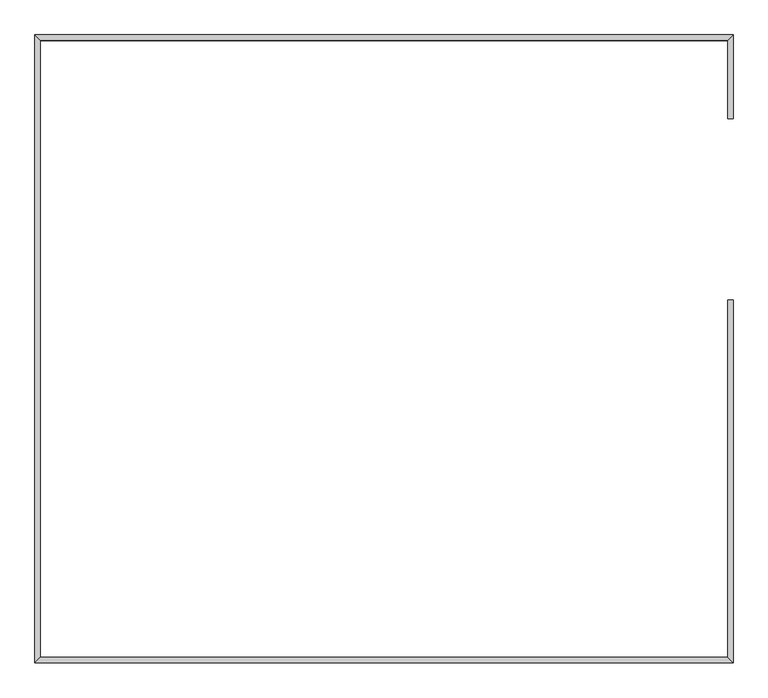
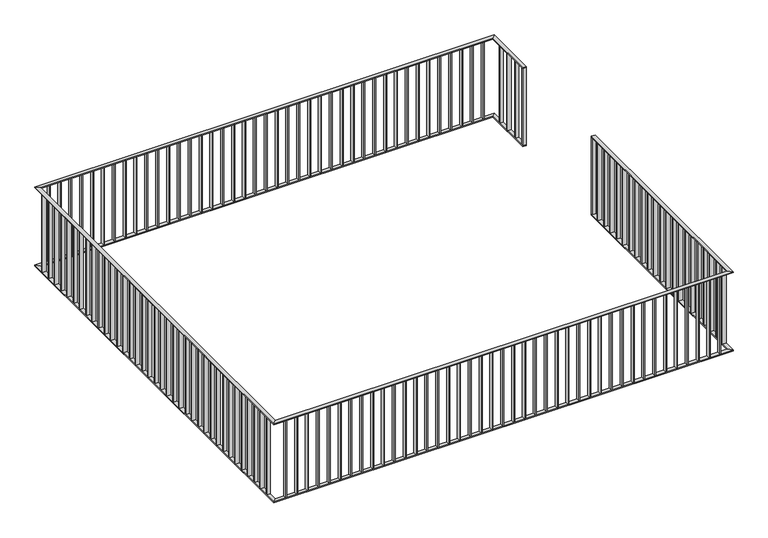
"""IFC4 building model written with IfcOpenShell, lengths in millimetres: railing geometry."""

from ifc_helpers import new_model, si_unit, frame, origin, place, context, project, spatial, polyline, outline, extrude, faceted_brep, source, transform, mapped, element, save


def railing_98fb5049(model_context):
    return source(origin(), model_context, "Body", "SolidModel", [
        faceted_brep([(2500.0, 4748.9503168, 4200.0), (2540.0, 4708.9503168, 4200.0), (7460.0, 4708.9503168, 4200.0), (7500.0, 4748.9503168, 4200.0), (2500.0, 4748.9503168, 4190.0), (7500.0, 4748.9503168, 4190.0), (2540.0, 4708.9503168, 4190.0), (7460.0, 4708.9503168, 4190.0), (7460.0, 4148.9503168, 4200.0), (7460.0, 4148.9503168, 4190.0), (7500.0, 4148.9503168, 4190.0), (7500.0, 4148.9503168, 4200.0), (7460.0, 2848.9503168, 4200.0), (7500.0, 2848.9503168, 4200.0), (7500.0, 2848.9503168, 4190.0), (7460.0, 2848.9503168, 4190.0), (7460.0, 288.9503168, 4200.0), (7500.0, 248.9503168, 4200.0), (7500.0, 248.9503168, 4190.0), (7460.0, 288.9503168, 4190.0), (2540.0, 288.9503168, 4200.0), (2500.0, 248.9503168, 4200.0), (2500.0, 248.9503168, 4190.0), (2540.0, 288.9503168, 4190.0)], [[[0, 1, 2, 3]], [[4, 0, 3, 5]], [[6, 4, 5, 7]], [[1, 6, 7, 2]], [[8, 9, 10, 11]], [[3, 2, 8, 11]], [[5, 3, 11, 10]], [[7, 5, 10, 9]], [[2, 7, 9, 8]], [[12, 13, 14, 15]], [[13, 12, 16, 17]], [[14, 13, 17, 18]], [[15, 14, 18, 19]], [[12, 15, 19, 16]], [[17, 16, 20, 21]], [[18, 17, 21, 22]], [[19, 18, 22, 23]], [[16, 19, 23, 20]], [[21, 20, 1, 0]], [[22, 21, 0, 4]], [[23, 22, 4, 6]], [[20, 23, 6, 1]]]),
        faceted_brep([(2500.0, 4748.9503168, 3300.0), (2540.0, 4708.9503168, 3300.0), (7460.0, 4708.9503168, 3300.0), (7500.0, 4748.9503168, 3300.0), (2500.0, 4748.9503168, 3290.0), (7500.0, 4748.9503168, 3290.0), (2540.0, 4708.9503168, 3290.0), (7460.0, 4708.9503168, 3290.0), (7460.0, 4148.9503168, 3300.0), (7460.0, 4148.9503168, 3290.0), (7500.0, 4148.9503168, 3290.0), (7500.0, 4148.9503168, 3300.0), (7460.0, 2848.9503168, 3300.0), (7500.0, 2848.9503168, 3300.0), (7500.0, 2848.9503168, 3290.0), (7460.0, 2848.9503168, 3290.0), (7460.0, 288.9503168, 3300.0), (7500.0, 248.9503168, 3300.0), (7500.0, 248.9503168, 3290.0), (7460.0, 288.9503168, 3290.0), (2540.0, 288.9503168, 3300.0), (2500.0, 248.9503168, 3300.0), (2500.0, 248.9503168, 3290.0), (2540.0, 288.9503168, 3290.0)], [[[0, 1, 2, 3]], [[4, 0, 3, 5]], [[6, 4, 5, 7]], [[1, 6, 7, 2]], [[8, 9, 10, 11]], [[3, 2, 8, 11]], [[5, 3, 11, 10]], [[7, 5, 10, 9]], [[2, 7, 9, 8]], [[12, 13, 14, 15]], [[13, 12, 16, 17]], [[14, 13, 17, 18]], [[15, 14, 18, 19]], [[12, 15, 19, 16]], [[17, 16, 20, 21]], [[18, 17, 21, 22]], [[19, 18, 22, 23]], [[16, 19, 23, 20]], [[21, 20, 1, 0]], [[22, 21, 0, 4]], [[23, 22, 4, 6]], [[20, 23, 6, 1]]]),
        extrude(outline(polyline([(7460.0, 4298.9503168), (7500.0, 4298.9503168), (7500.0, 4288.9503168), (7460.0, 4288.9503168), (7460.0, 4298.9503168)])), frame((0.0, 0.0, 3300.0), z_axis=(0.0, 0.0, 1.0), x_axis=(1.0, 0.0, 0.0)), (0.0, 0.0, 1.0), 890.0),
        extrude(outline(polyline([(7460.0, 4443.9503168), (7500.0, 4443.9503168), (7500.0, 4433.9503168), (7460.0, 4433.9503168), (7460.0, 4443.9503168)])), frame((0.0, 0.0, 3300.0), z_axis=(0.0, 0.0, 1.0), x_axis=(1.0, 0.0, 0.0)), (0.0, 0.0, 1.0), 890.0),
        extrude(outline(polyline([(7460.0, 4588.9503168), (7500.0, 4588.9503168), (7500.0, 4578.9503168), (7460.0, 4578.9503168), (7460.0, 4588.9503168)])), frame((0.0, 0.0, 3300.0), z_axis=(0.0, 0.0, 1.0), x_axis=(1.0, 0.0, 0.0)), (0.0, 0.0, 1.0), 890.0),
        extrude(outline(polyline([(7356.9047619, 4708.9503168), (7356.9047619, 4748.9503168), (7366.9047619, 4748.9503168), (7366.9047619, 4708.9503168), (7356.9047619, 4708.9503168)])), frame((0.0, 0.0, 3300.0), z_axis=(0.0, 0.0, 1.0), x_axis=(1.0, 0.0, 0.0)), (0.0, 0.0, 1.0), 890.0),
        extrude(outline(polyline([(7238.8095238, 4708.9503168), (7238.8095238, 4748.9503168), (7248.8095238, 4748.9503168), (7248.8095238, 4708.9503168), (7238.8095238, 4708.9503168)])), frame((0.0, 0.0, 3300.0), z_axis=(0.0, 0.0, 1.0), x_axis=(1.0, 0.0, 0.0)), (0.0, 0.0, 1.0), 890.0),
        extrude(outline(polyline([(7120.7142857, 4708.9503168), (7120.7142857, 4748.9503168), (7130.7142857, 4748.9503168), (7130.7142857, 4708.9503168), (7120.7142857, 4708.9503168)])), frame((0.0, 0.0, 3300.0), z_axis=(0.0, 0.0, 1.0), x_axis=(1.0, 0.0, 0.0)), (0.0, 0.0, 1.0), 890.0),
        extrude(outline(polyline([(7002.6190476, 4708.9503168), (7002.6190476, 4748.9503168), (7012.6190476, 4748.9503168), (7012.6190476, 4708.9503168), (7002.6190476, 4708.9503168)])), frame((0.0, 0.0, 3300.0), z_axis=(0.0, 0.0, 1.0), x_axis=(1.0, 0.0, 0.0)), (0.0, 0.0, 1.0), 890.0),
        extrude(outline(polyline([(6884.5238095, 4708.9503168), (6884.5238095, 4748.9503168), (6894.5238095, 4748.9503168), (6894.5238095, 4708.9503168), (6884.5238095, 4708.9503168)])), frame((0.0, 0.0, 3300.0), z_axis=(0.0, 0.0, 1.0), x_axis=(1.0, 0.0, 0.0)), (0.0, 0.0, 1.0), 890.0),
        extrude(outline(polyline([(6766.4285714, 4708.9503168), (6766.4285714, 4748.9503168), (6776.4285714, 4748.9503168), (6776.4285714, 4708.9503168), (6766.4285714, 4708.9503168)])), frame((0.0, 0.0, 3300.0), z_axis=(0.0, 0.0, 1.0), x_axis=(1.0, 0.0, 0.0)), (0.0, 0.0, 1.0), 890.0),
        extrude(outline(polyline([(6648.3333333, 4708.9503168), (6648.3333333, 4748.9503168), (6658.3333333, 4748.9503168), (6658.3333333, 4708.9503168), (6648.3333333, 4708.9503168)])), frame((0.0, 0.0, 3300.0), z_axis=(0.0, 0.0, 1.0), x_axis=(1.0, 0.0, 0.0)), (0.0, 0.0, 1.0), 890.0),
        extrude(outline(polyline([(6530.2380952, 4708.9503168), (6530.2380952, 4748.9503168), (6540.2380952, 4748.9503168), (6540.2380952, 4708.9503168), (6530.2380952, 4708.9503168)])), frame((0.0, 0.0, 3300.0), z_axis=(0.0, 0.0, 1.0), x_axis=(1.0, 0.0, 0.0)), (0.0, 0.0, 1.0), 890.0),
        extrude(outline(polyline([(6412.1428571, 4708.9503168), (6412.1428571, 4748.9503168), (6422.1428571, 4748.9503168), (6422.1428571, 4708.9503168), (6412.1428571, 4708.9503168)])), frame((0.0, 0.0, 3300.0), z_axis=(0.0, 0.0, 1.0), x_axis=(1.0, 0.0, 0.0)), (0.0, 0.0, 1.0), 890.0),
        extrude(outline(polyline([(6294.047619, 4708.9503168), (6294.047619, 4748.9503168), (6304.047619, 4748.9503168), (6304.047619, 4708.9503168), (6294.047619, 4708.9503168)])), frame((0.0, 0.0, 3300.0), z_axis=(0.0, 0.0, 1.0), x_axis=(1.0, 0.0, 0.0)), (0.0, 0.0, 1.0), 890.0),
        extrude(outline(polyline([(6175.952381, 4708.9503168), (6175.952381, 4748.9503168), (6185.952381, 4748.9503168), (6185.952381, 4708.9503168), (6175.952381, 4708.9503168)])), frame((0.0, 0.0, 3300.0), z_axis=(0.0, 0.0, 1.0), x_axis=(1.0, 0.0, 0.0)), (0.0, 0.0, 1.0), 890.0),
        extrude(outline(polyline([(6057.8571429, 4708.9503168), (6057.8571429, 4748.9503168), (6067.8571429, 4748.9503168), (6067.8571429, 4708.9503168), (6057.8571429, 4708.9503168)])), frame((0.0, 0.0, 3300.0), z_axis=(0.0, 0.0, 1.0), x_axis=(1.0, 0.0, 0.0)), (0.0, 0.0, 1.0), 890.0),
        extrude(outline(polyline([(5939.7619048, 4708.9503168), (5939.7619048, 4748.9503168), (5949.7619048, 4748.9503168), (5949.7619048, 4708.9503168), (5939.7619048, 4708.9503168)])), frame((0.0, 0.0, 3300.0), z_axis=(0.0, 0.0, 1.0), x_axis=(1.0, 0.0, 0.0)), (0.0, 0.0, 1.0), 890.0),
        extrude(outline(polyline([(5821.6666667, 4708.9503168), (5821.6666667, 4748.9503168), (5831.6666667, 4748.9503168), (5831.6666667, 4708.9503168), (5821.6666667, 4708.9503168)])), frame((0.0, 0.0, 3300.0), z_axis=(0.0, 0.0, 1.0), x_axis=(1.0, 0.0, 0.0)), (0.0, 0.0, 1.0), 890.0),
        extrude(outline(polyline([(5703.5714286, 4708.9503168), (5703.5714286, 4748.9503168), (5713.5714286, 4748.9503168), (5713.5714286, 4708.9503168), (5703.5714286, 4708.9503168)])), frame((0.0, 0.0, 3300.0), z_axis=(0.0, 0.0, 1.0), x_axis=(1.0, 0.0, 0.0)), (0.0, 0.0, 1.0), 890.0),
        extrude(outline(polyline([(5585.4761905, 4708.9503168), (5585.4761905, 4748.9503168), (5595.4761905, 4748.9503168), (5595.4761905, 4708.9503168), (5585.4761905, 4708.9503168)])), frame((0.0, 0.0, 3300.0), z_axis=(0.0, 0.0, 1.0), x_axis=(1.0, 0.0, 0.0)), (0.0, 0.0, 1.0), 890.0),
        extrude(outline(polyline([(5467.3809524, 4708.9503168), (5467.3809524, 4748.9503168), (5477.3809524, 4748.9503168), (5477.3809524, 4708.9503168), (5467.3809524, 4708.9503168)])), frame((0.0, 0.0, 3300.0), z_axis=(0.0, 0.0, 1.0), x_axis=(1.0, 0.0, 0.0)), (0.0, 0.0, 1.0), 890.0),
        extrude(outline(polyline([(5349.2857143, 4708.9503168), (5349.2857143, 4748.9503168), (5359.2857143, 4748.9503168), (5359.2857143, 4708.9503168), (5349.2857143, 4708.9503168)])), frame((0.0, 0.0, 3300.0), z_axis=(0.0, 0.0, 1.0), x_axis=(1.0, 0.0, 0.0)), (0.0, 0.0, 1.0), 890.0),
        extrude(outline(polyline([(5231.1904762, 4708.9503168), (5231.1904762, 4748.9503168), (5241.1904762, 4748.9503168), (5241.1904762, 4708.9503168), (5231.1904762, 4708.9503168)])), frame((0.0, 0.0, 3300.0), z_axis=(0.0, 0.0, 1.0), x_axis=(1.0, 0.0, 0.0)), (0.0, 0.0, 1.0), 890.0),
        extrude(outline(polyline([(5113.0952381, 4708.9503168), (5113.0952381, 4748.9503168), (5123.0952381, 4748.9503168), (5123.0952381, 4708.9503168), (5113.0952381, 4708.9503168)])), frame((0.0, 0.0, 3300.0), z_axis=(0.0, 0.0, 1.0), x_axis=(1.0, 0.0, 0.0)), (0.0, 0.0, 1.0), 890.0),
        extrude(outline(polyline([(4995.0, 4708.9503168), (4995.0, 4748.9503168), (5005.0, 4748.9503168), (5005.0, 4708.9503168), (4995.0, 4708.9503168)])), frame((0.0, 0.0, 3300.0), z_axis=(0.0, 0.0, 1.0), x_axis=(1.0, 0.0, 0.0)), (0.0, 0.0, 1.0), 890.0),
        extrude(outline(polyline([(4876.9047619, 4708.9503168), (4876.9047619, 4748.9503168), (4886.9047619, 4748.9503168), (4886.9047619, 4708.9503168), (4876.9047619, 4708.9503168)])), frame((0.0, 0.0, 3300.0), z_axis=(0.0, 0.0, 1.0), x_axis=(1.0, 0.0, 0.0)), (0.0, 0.0, 1.0), 890.0),
        extrude(outline(polyline([(4758.8095238, 4708.9503168), (4758.8095238, 4748.9503168), (4768.8095238, 4748.9503168), (4768.8095238, 4708.9503168), (4758.8095238, 4708.9503168)])), frame((0.0, 0.0, 3300.0), z_axis=(0.0, 0.0, 1.0), x_axis=(1.0, 0.0, 0.0)), (0.0, 0.0, 1.0), 890.0),
        extrude(outline(polyline([(4640.7142857, 4708.9503168), (4640.7142857, 4748.9503168), (4650.7142857, 4748.9503168), (4650.7142857, 4708.9503168), (4640.7142857, 4708.9503168)])), frame((0.0, 0.0, 3300.0), z_axis=(0.0, 0.0, 1.0), x_axis=(1.0, 0.0, 0.0)), (0.0, 0.0, 1.0), 890.0),
        extrude(outline(polyline([(4522.6190476, 4708.9503168), (4522.6190476, 4748.9503168), (4532.6190476, 4748.9503168), (4532.6190476, 4708.9503168), (4522.6190476, 4708.9503168)])), frame((0.0, 0.0, 3300.0), z_axis=(0.0, 0.0, 1.0), x_axis=(1.0, 0.0, 0.0)), (0.0, 0.0, 1.0), 890.0),
        extrude(outline(polyline([(4404.5238095, 4708.9503168), (4404.5238095, 4748.9503168), (4414.5238095, 4748.9503168), (4414.5238095, 4708.9503168), (4404.5238095, 4708.9503168)])), frame((0.0, 0.0, 3300.0), z_axis=(0.0, 0.0, 1.0), x_axis=(1.0, 0.0, 0.0)), (0.0, 0.0, 1.0), 890.0),
        extrude(outline(polyline([(4286.4285714, 4708.9503168), (4286.4285714, 4748.9503168), (4296.4285714, 4748.9503168), (4296.4285714, 4708.9503168), (4286.4285714, 4708.9503168)])), frame((0.0, 0.0, 3300.0), z_axis=(0.0, 0.0, 1.0), x_axis=(1.0, 0.0, 0.0)), (0.0, 0.0, 1.0), 890.0),
        extrude(outline(polyline([(4168.3333333, 4708.9503168), (4168.3333333, 4748.9503168), (4178.3333333, 4748.9503168), (4178.3333333, 4708.9503168), (4168.3333333, 4708.9503168)])), frame((0.0, 0.0, 3300.0), z_axis=(0.0, 0.0, 1.0), x_axis=(1.0, 0.0, 0.0)), (0.0, 0.0, 1.0), 890.0),
        extrude(outline(polyline([(4050.2380952, 4708.9503168), (4050.2380952, 4748.9503168), (4060.2380952, 4748.9503168), (4060.2380952, 4708.9503168), (4050.2380952, 4708.9503168)])), frame((0.0, 0.0, 3300.0), z_axis=(0.0, 0.0, 1.0), x_axis=(1.0, 0.0, 0.0)), (0.0, 0.0, 1.0), 890.0),
        extrude(outline(polyline([(3932.1428571, 4708.9503168), (3932.1428571, 4748.9503168), (3942.1428571, 4748.9503168), (3942.1428571, 4708.9503168), (3932.1428571, 4708.9503168)])), frame((0.0, 0.0, 3300.0), z_axis=(0.0, 0.0, 1.0), x_axis=(1.0, 0.0, 0.0)), (0.0, 0.0, 1.0), 890.0),
        extrude(outline(polyline([(3814.047619, 4708.9503168), (3814.047619, 4748.9503168), (3824.047619, 4748.9503168), (3824.047619, 4708.9503168), (3814.047619, 4708.9503168)])), frame((0.0, 0.0, 3300.0), z_axis=(0.0, 0.0, 1.0), x_axis=(1.0, 0.0, 0.0)), (0.0, 0.0, 1.0), 890.0),
        extrude(outline(polyline([(3695.952381, 4708.9503168), (3695.952381, 4748.9503168), (3705.952381, 4748.9503168), (3705.952381, 4708.9503168), (3695.952381, 4708.9503168)])), frame((0.0, 0.0, 3300.0), z_axis=(0.0, 0.0, 1.0), x_axis=(1.0, 0.0, 0.0)), (0.0, 0.0, 1.0), 890.0),
        extrude(outline(polyline([(3577.8571429, 4708.9503168), (3577.8571429, 4748.9503168), (3587.8571429, 4748.9503168), (3587.8571429, 4708.9503168), (3577.8571429, 4708.9503168)])), frame((0.0, 0.0, 3300.0), z_axis=(0.0, 0.0, 1.0), x_axis=(1.0, 0.0, 0.0)), (0.0, 0.0, 1.0), 890.0),
        extrude(outline(polyline([(3459.7619048, 4708.9503168), (3459.7619048, 4748.9503168), (3469.7619048, 4748.9503168), (3469.7619048, 4708.9503168), (3459.7619048, 4708.9503168)])), frame((0.0, 0.0, 3300.0), z_axis=(0.0, 0.0, 1.0), x_axis=(1.0, 0.0, 0.0)), (0.0, 0.0, 1.0), 890.0),
        extrude(outline(polyline([(3341.6666667, 4708.9503168), (3341.6666667, 4748.9503168), (3351.6666667, 4748.9503168), (3351.6666667, 4708.9503168), (3341.6666667, 4708.9503168)])), frame((0.0, 0.0, 3300.0), z_axis=(0.0, 0.0, 1.0), x_axis=(1.0, 0.0, 0.0)), (0.0, 0.0, 1.0), 890.0),
        extrude(outline(polyline([(3223.5714286, 4708.9503168), (3223.5714286, 4748.9503168), (3233.5714286, 4748.9503168), (3233.5714286, 4708.9503168), (3223.5714286, 4708.9503168)])), frame((0.0, 0.0, 3300.0), z_axis=(0.0, 0.0, 1.0), x_axis=(1.0, 0.0, 0.0)), (0.0, 0.0, 1.0), 890.0),
        extrude(outline(polyline([(3105.4761905, 4708.9503168), (3105.4761905, 4748.9503168), (3115.4761905, 4748.9503168), (3115.4761905, 4708.9503168), (3105.4761905, 4708.9503168)])), frame((0.0, 0.0, 3300.0), z_axis=(0.0, 0.0, 1.0), x_axis=(1.0, 0.0, 0.0)), (0.0, 0.0, 1.0), 890.0),
        extrude(outline(polyline([(2987.3809524, 4708.9503168), (2987.3809524, 4748.9503168), (2997.3809524, 4748.9503168), (2997.3809524, 4708.9503168), (2987.3809524, 4708.9503168)])), frame((0.0, 0.0, 3300.0), z_axis=(0.0, 0.0, 1.0), x_axis=(1.0, 0.0, 0.0)), (0.0, 0.0, 1.0), 890.0),
        extrude(outline(polyline([(2869.2857143, 4708.9503168), (2869.2857143, 4748.9503168), (2879.2857143, 4748.9503168), (2879.2857143, 4708.9503168), (2869.2857143, 4708.9503168)])), frame((0.0, 0.0, 3300.0), z_axis=(0.0, 0.0, 1.0), x_axis=(1.0, 0.0, 0.0)), (0.0, 0.0, 1.0), 890.0),
        extrude(outline(polyline([(2751.1904762, 4708.9503168), (2751.1904762, 4748.9503168), (2761.1904762, 4748.9503168), (2761.1904762, 4708.9503168), (2751.1904762, 4708.9503168)])), frame((0.0, 0.0, 3300.0), z_axis=(0.0, 0.0, 1.0), x_axis=(1.0, 0.0, 0.0)), (0.0, 0.0, 1.0), 890.0),
        extrude(outline(polyline([(2633.0952381, 4708.9503168), (2633.0952381, 4748.9503168), (2643.0952381, 4748.9503168), (2643.0952381, 4708.9503168), (2633.0952381, 4708.9503168)])), frame((0.0, 0.0, 3300.0), z_axis=(0.0, 0.0, 1.0), x_axis=(1.0, 0.0, 0.0)), (0.0, 0.0, 1.0), 890.0),
        extrude(outline(polyline([(2540.0, 4606.5818957), (2500.0, 4606.5818957), (2500.0, 4616.5818957), (2540.0, 4616.5818957), (2540.0, 4606.5818957)])), frame((0.0, 0.0, 3300.0), z_axis=(0.0, 0.0, 1.0), x_axis=(1.0, 0.0, 0.0)), (0.0, 0.0, 1.0), 890.0),
        extrude(outline(polyline([(2540.0, 4489.2134747), (2500.0, 4489.2134747), (2500.0, 4499.2134747), (2540.0, 4499.2134747), (2540.0, 4489.2134747)])), frame((0.0, 0.0, 3300.0), z_axis=(0.0, 0.0, 1.0), x_axis=(1.0, 0.0, 0.0)), (0.0, 0.0, 1.0), 890.0),
        extrude(outline(polyline([(2540.0, 4371.8450536), (2500.0, 4371.8450536), (2500.0, 4381.8450536), (2540.0, 4381.8450536), (2540.0, 4371.8450536)])), frame((0.0, 0.0, 3300.0), z_axis=(0.0, 0.0, 1.0), x_axis=(1.0, 0.0, 0.0)), (0.0, 0.0, 1.0), 890.0),
        extrude(outline(polyline([(2540.0, 4254.4766325), (2500.0, 4254.4766325), (2500.0, 4264.4766325), (2540.0, 4264.4766325), (2540.0, 4254.4766325)])), frame((0.0, 0.0, 3300.0), z_axis=(0.0, 0.0, 1.0), x_axis=(1.0, 0.0, 0.0)), (0.0, 0.0, 1.0), 890.0),
        extrude(outline(polyline([(2540.0, 4137.1082115), (2500.0, 4137.1082115), (2500.0, 4147.1082115), (2540.0, 4147.1082115), (2540.0, 4137.1082115)])), frame((0.0, 0.0, 3300.0), z_axis=(0.0, 0.0, 1.0), x_axis=(1.0, 0.0, 0.0)), (0.0, 0.0, 1.0), 890.0),
        extrude(outline(polyline([(2540.0, 4019.7397904), (2500.0, 4019.7397904), (2500.0, 4029.7397904), (2540.0, 4029.7397904), (2540.0, 4019.7397904)])), frame((0.0, 0.0, 3300.0), z_axis=(0.0, 0.0, 1.0), x_axis=(1.0, 0.0, 0.0)), (0.0, 0.0, 1.0), 890.0),
        extrude(outline(polyline([(2540.0, 3902.3713694), (2500.0, 3902.3713694), (2500.0, 3912.3713694), (2540.0, 3912.3713694), (2540.0, 3902.3713694)])), frame((0.0, 0.0, 3300.0), z_axis=(0.0, 0.0, 1.0), x_axis=(1.0, 0.0, 0.0)), (0.0, 0.0, 1.0), 890.0),
        extrude(outline(polyline([(2540.0, 3785.0029483), (2500.0, 3785.0029483), (2500.0, 3795.0029483), (2540.0, 3795.0029483), (2540.0, 3785.0029483)])), frame((0.0, 0.0, 3300.0), z_axis=(0.0, 0.0, 1.0), x_axis=(1.0, 0.0, 0.0)), (0.0, 0.0, 1.0), 890.0),
        extrude(outline(polyline([(2540.0, 3667.6345273), (2500.0, 3667.6345273), (2500.0, 3677.6345273), (2540.0, 3677.6345273), (2540.0, 3667.6345273)])), frame((0.0, 0.0, 3300.0), z_axis=(0.0, 0.0, 1.0), x_axis=(1.0, 0.0, 0.0)), (0.0, 0.0, 1.0), 890.0),
        extrude(outline(polyline([(2540.0, 3550.2661062), (2500.0, 3550.2661062), (2500.0, 3560.2661062), (2540.0, 3560.2661062), (2540.0, 3550.2661062)])), frame((0.0, 0.0, 3300.0), z_axis=(0.0, 0.0, 1.0), x_axis=(1.0, 0.0, 0.0)), (0.0, 0.0, 1.0), 890.0),
        extrude(outline(polyline([(2540.0, 3432.8976852), (2500.0, 3432.8976852), (2500.0, 3442.8976852), (2540.0, 3442.8976852), (2540.0, 3432.8976852)])), frame((0.0, 0.0, 3300.0), z_axis=(0.0, 0.0, 1.0), x_axis=(1.0, 0.0, 0.0)), (0.0, 0.0, 1.0), 890.0),
        extrude(outline(polyline([(2540.0, 3315.5292641), (2500.0, 3315.5292641), (2500.0, 3325.5292641), (2540.0, 3325.5292641), (2540.0, 3315.5292641)])), frame((0.0, 0.0, 3300.0), z_axis=(0.0, 0.0, 1.0), x_axis=(1.0, 0.0, 0.0)), (0.0, 0.0, 1.0), 890.0),
        extrude(outline(polyline([(2540.0, 3198.1608431), (2500.0, 3198.1608431), (2500.0, 3208.1608431), (2540.0, 3208.1608431), (2540.0, 3198.1608431)])), frame((0.0, 0.0, 3300.0), z_axis=(0.0, 0.0, 1.0), x_axis=(1.0, 0.0, 0.0)), (0.0, 0.0, 1.0), 890.0),
        extrude(outline(polyline([(2540.0, 3080.792422), (2500.0, 3080.792422), (2500.0, 3090.792422), (2540.0, 3090.792422), (2540.0, 3080.792422)])), frame((0.0, 0.0, 3300.0), z_axis=(0.0, 0.0, 1.0), x_axis=(1.0, 0.0, 0.0)), (0.0, 0.0, 1.0), 890.0),
        extrude(outline(polyline([(2540.0, 2963.424001), (2500.0, 2963.424001), (2500.0, 2973.424001), (2540.0, 2973.424001), (2540.0, 2963.424001)])), frame((0.0, 0.0, 3300.0), z_axis=(0.0, 0.0, 1.0), x_axis=(1.0, 0.0, 0.0)), (0.0, 0.0, 1.0), 890.0),
        extrude(outline(polyline([(2540.0, 2846.0555799), (2500.0, 2846.0555799), (2500.0, 2856.0555799), (2540.0, 2856.0555799), (2540.0, 2846.0555799)])), frame((0.0, 0.0, 3300.0), z_axis=(0.0, 0.0, 1.0), x_axis=(1.0, 0.0, 0.0)), (0.0, 0.0, 1.0), 890.0),
        extrude(outline(polyline([(2540.0, 2728.6871589), (2500.0, 2728.6871589), (2500.0, 2738.6871589), (2540.0, 2738.6871589), (2540.0, 2728.6871589)])), frame((0.0, 0.0, 3300.0), z_axis=(0.0, 0.0, 1.0), x_axis=(1.0, 0.0, 0.0)), (0.0, 0.0, 1.0), 890.0),
        extrude(outline(polyline([(2540.0, 2611.3187378), (2500.0, 2611.3187378), (2500.0, 2621.3187378), (2540.0, 2621.3187378), (2540.0, 2611.3187378)])), frame((0.0, 0.0, 3300.0), z_axis=(0.0, 0.0, 1.0), x_axis=(1.0, 0.0, 0.0)), (0.0, 0.0, 1.0), 890.0),
        extrude(outline(polyline([(2540.0, 2493.9503168), (2500.0, 2493.9503168), (2500.0, 2503.9503168), (2540.0, 2503.9503168), (2540.0, 2493.9503168)])), frame((0.0, 0.0, 3300.0), z_axis=(0.0, 0.0, 1.0), x_axis=(1.0, 0.0, 0.0)), (0.0, 0.0, 1.0), 890.0),
        extrude(outline(polyline([(2540.0, 2376.5818957), (2500.0, 2376.5818957), (2500.0, 2386.5818957), (2540.0, 2386.5818957), (2540.0, 2376.5818957)])), frame((0.0, 0.0, 3300.0), z_axis=(0.0, 0.0, 1.0), x_axis=(1.0, 0.0, 0.0)), (0.0, 0.0, 1.0), 890.0),
        extrude(outline(polyline([(2540.0, 2259.2134747), (2500.0, 2259.2134747), (2500.0, 2269.2134747), (2540.0, 2269.2134747), (2540.0, 2259.2134747)])), frame((0.0, 0.0, 3300.0), z_axis=(0.0, 0.0, 1.0), x_axis=(1.0, 0.0, 0.0)), (0.0, 0.0, 1.0), 890.0),
        extrude(outline(polyline([(2540.0, 2141.8450536), (2500.0, 2141.8450536), (2500.0, 2151.8450536), (2540.0, 2151.8450536), (2540.0, 2141.8450536)])), frame((0.0, 0.0, 3300.0), z_axis=(0.0, 0.0, 1.0), x_axis=(1.0, 0.0, 0.0)), (0.0, 0.0, 1.0), 890.0),
        extrude(outline(polyline([(2540.0, 2024.4766325), (2500.0, 2024.4766325), (2500.0, 2034.4766325), (2540.0, 2034.4766325), (2540.0, 2024.4766325)])), frame((0.0, 0.0, 3300.0), z_axis=(0.0, 0.0, 1.0), x_axis=(1.0, 0.0, 0.0)), (0.0, 0.0, 1.0), 890.0),
        extrude(outline(polyline([(2540.0, 1907.1082115), (2500.0, 1907.1082115), (2500.0, 1917.1082115), (2540.0, 1917.1082115), (2540.0, 1907.1082115)])), frame((0.0, 0.0, 3300.0), z_axis=(0.0, 0.0, 1.0), x_axis=(1.0, 0.0, 0.0)), (0.0, 0.0, 1.0), 890.0),
        extrude(outline(polyline([(2540.0, 1789.7397904), (2500.0, 1789.7397904), (2500.0, 1799.7397904), (2540.0, 1799.7397904), (2540.0, 1789.7397904)])), frame((0.0, 0.0, 3300.0), z_axis=(0.0, 0.0, 1.0), x_axis=(1.0, 0.0, 0.0)), (0.0, 0.0, 1.0), 890.0),
        extrude(outline(polyline([(2540.0, 1672.3713694), (2500.0, 1672.3713694), (2500.0, 1682.3713694), (2540.0, 1682.3713694), (2540.0, 1672.3713694)])), frame((0.0, 0.0, 3300.0), z_axis=(0.0, 0.0, 1.0), x_axis=(1.0, 0.0, 0.0)), (0.0, 0.0, 1.0), 890.0),
        extrude(outline(polyline([(2540.0, 1555.0029483), (2500.0, 1555.0029483), (2500.0, 1565.0029483), (2540.0, 1565.0029483), (2540.0, 1555.0029483)])), frame((0.0, 0.0, 3300.0), z_axis=(0.0, 0.0, 1.0), x_axis=(1.0, 0.0, 0.0)), (0.0, 0.0, 1.0), 890.0),
        extrude(outline(polyline([(2540.0, 1437.6345273), (2500.0, 1437.6345273), (2500.0, 1447.6345273), (2540.0, 1447.6345273), (2540.0, 1437.6345273)])), frame((0.0, 0.0, 3300.0), z_axis=(0.0, 0.0, 1.0), x_axis=(1.0, 0.0, 0.0)), (0.0, 0.0, 1.0), 890.0),
        extrude(outline(polyline([(2540.0, 1320.2661062), (2500.0, 1320.2661062), (2500.0, 1330.2661062), (2540.0, 1330.2661062), (2540.0, 1320.2661062)])), frame((0.0, 0.0, 3300.0), z_axis=(0.0, 0.0, 1.0), x_axis=(1.0, 0.0, 0.0)), (0.0, 0.0, 1.0), 890.0),
        extrude(outline(polyline([(2540.0, 1202.8976852), (2500.0, 1202.8976852), (2500.0, 1212.8976852), (2540.0, 1212.8976852), (2540.0, 1202.8976852)])), frame((0.0, 0.0, 3300.0), z_axis=(0.0, 0.0, 1.0), x_axis=(1.0, 0.0, 0.0)), (0.0, 0.0, 1.0), 890.0),
        extrude(outline(polyline([(2540.0, 1085.5292641), (2500.0, 1085.5292641), (2500.0, 1095.5292641), (2540.0, 1095.5292641), (2540.0, 1085.5292641)])), frame((0.0, 0.0, 3300.0), z_axis=(0.0, 0.0, 1.0), x_axis=(1.0, 0.0, 0.0)), (0.0, 0.0, 1.0), 890.0),
        extrude(outline(polyline([(2540.0, 968.1608431), (2500.0, 968.1608431), (2500.0, 978.1608431), (2540.0, 978.1608431), (2540.0, 968.1608431)])), frame((0.0, 0.0, 3300.0), z_axis=(0.0, 0.0, 1.0), x_axis=(1.0, 0.0, 0.0)), (0.0, 0.0, 1.0), 890.0),
        extrude(outline(polyline([(2540.0, 850.792422), (2500.0, 850.792422), (2500.0, 860.792422), (2540.0, 860.792422), (2540.0, 850.792422)])), frame((0.0, 0.0, 3300.0), z_axis=(0.0, 0.0, 1.0), x_axis=(1.0, 0.0, 0.0)), (0.0, 0.0, 1.0), 890.0),
        extrude(outline(polyline([(2540.0, 733.424001), (2500.0, 733.424001), (2500.0, 743.424001), (2540.0, 743.424001), (2540.0, 733.424001)])), frame((0.0, 0.0, 3300.0), z_axis=(0.0, 0.0, 1.0), x_axis=(1.0, 0.0, 0.0)), (0.0, 0.0, 1.0), 890.0),
        extrude(outline(polyline([(2540.0, 616.0555799), (2500.0, 616.0555799), (2500.0, 626.0555799), (2540.0, 626.0555799), (2540.0, 616.0555799)])), frame((0.0, 0.0, 3300.0), z_axis=(0.0, 0.0, 1.0), x_axis=(1.0, 0.0, 0.0)), (0.0, 0.0, 1.0), 890.0),
        extrude(outline(polyline([(2540.0, 498.6871589), (2500.0, 498.6871589), (2500.0, 508.6871589), (2540.0, 508.6871589), (2540.0, 498.6871589)])), frame((0.0, 0.0, 3300.0), z_axis=(0.0, 0.0, 1.0), x_axis=(1.0, 0.0, 0.0)), (0.0, 0.0, 1.0), 890.0),
        extrude(outline(polyline([(2540.0, 381.3187378), (2500.0, 381.3187378), (2500.0, 391.3187378), (2540.0, 391.3187378), (2540.0, 381.3187378)])), frame((0.0, 0.0, 3300.0), z_axis=(0.0, 0.0, 1.0), x_axis=(1.0, 0.0, 0.0)), (0.0, 0.0, 1.0), 890.0),
        extrude(outline(polyline([(2643.0952381, 288.9503168), (2643.0952381, 248.9503168), (2633.0952381, 248.9503168), (2633.0952381, 288.9503168), (2643.0952381, 288.9503168)])), frame((0.0, 0.0, 3300.0), z_axis=(0.0, 0.0, 1.0), x_axis=(1.0, 0.0, 0.0)), (0.0, 0.0, 1.0), 890.0),
        extrude(outline(polyline([(2761.1904762, 288.9503168), (2761.1904762, 248.9503168), (2751.1904762, 248.9503168), (2751.1904762, 288.9503168), (2761.1904762, 288.9503168)])), frame((0.0, 0.0, 3300.0), z_axis=(0.0, 0.0, 1.0), x_axis=(1.0, 0.0, 0.0)), (0.0, 0.0, 1.0), 890.0),
        extrude(outline(polyline([(2879.2857143, 288.9503168), (2879.2857143, 248.9503168), (2869.2857143, 248.9503168), (2869.2857143, 288.9503168), (2879.2857143, 288.9503168)])), frame((0.0, 0.0, 3300.0), z_axis=(0.0, 0.0, 1.0), x_axis=(1.0, 0.0, 0.0)), (0.0, 0.0, 1.0), 890.0),
        extrude(outline(polyline([(2997.3809524, 288.9503168), (2997.3809524, 248.9503168), (2987.3809524, 248.9503168), (2987.3809524, 288.9503168), (2997.3809524, 288.9503168)])), frame((0.0, 0.0, 3300.0), z_axis=(0.0, 0.0, 1.0), x_axis=(1.0, 0.0, 0.0)), (0.0, 0.0, 1.0), 890.0),
        extrude(outline(polyline([(3115.4761905, 288.9503168), (3115.4761905, 248.9503168), (3105.4761905, 248.9503168), (3105.4761905, 288.9503168), (3115.4761905, 288.9503168)])), frame((0.0, 0.0, 3300.0), z_axis=(0.0, 0.0, 1.0), x_axis=(1.0, 0.0, 0.0)), (0.0, 0.0, 1.0), 890.0),
        extrude(outline(polyline([(3233.5714286, 288.9503168), (3233.5714286, 248.9503168), (3223.5714286, 248.9503168), (3223.5714286, 288.9503168), (3233.5714286, 288.9503168)])), frame((0.0, 0.0, 3300.0), z_axis=(0.0, 0.0, 1.0), x_axis=(1.0, 0.0, 0.0)), (0.0, 0.0, 1.0), 890.0),
        extrude(outline(polyline([(3351.6666667, 288.9503168), (3351.6666667, 248.9503168), (3341.6666667, 248.9503168), (3341.6666667, 288.9503168), (3351.6666667, 288.9503168)])), frame((0.0, 0.0, 3300.0), z_axis=(0.0, 0.0, 1.0), x_axis=(1.0, 0.0, 0.0)), (0.0, 0.0, 1.0), 890.0),
        extrude(outline(polyline([(3469.7619048, 288.9503168), (3469.7619048, 248.9503168), (3459.7619048, 248.9503168), (3459.7619048, 288.9503168), (3469.7619048, 288.9503168)])), frame((0.0, 0.0, 3300.0), z_axis=(0.0, 0.0, 1.0), x_axis=(1.0, 0.0, 0.0)), (0.0, 0.0, 1.0), 890.0),
        extrude(outline(polyline([(3587.8571429, 288.9503168), (3587.8571429, 248.9503168), (3577.8571429, 248.9503168), (3577.8571429, 288.9503168), (3587.8571429, 288.9503168)])), frame((0.0, 0.0, 3300.0), z_axis=(0.0, 0.0, 1.0), x_axis=(1.0, 0.0, 0.0)), (0.0, 0.0, 1.0), 890.0),
        extrude(outline(polyline([(3705.952381, 288.9503168), (3705.952381, 248.9503168), (3695.952381, 248.9503168), (3695.952381, 288.9503168), (3705.952381, 288.9503168)])), frame((0.0, 0.0, 3300.0), z_axis=(0.0, 0.0, 1.0), x_axis=(1.0, 0.0, 0.0)), (0.0, 0.0, 1.0), 890.0),
        extrude(outline(polyline([(3824.047619, 288.9503168), (3824.047619, 248.9503168), (3814.047619, 248.9503168), (3814.047619, 288.9503168), (3824.047619, 288.9503168)])), frame((0.0, 0.0, 3300.0), z_axis=(0.0, 0.0, 1.0), x_axis=(1.0, 0.0, 0.0)), (0.0, 0.0, 1.0), 890.0),
        extrude(outline(polyline([(3942.1428571, 288.9503168), (3942.1428571, 248.9503168), (3932.1428571, 248.9503168), (3932.1428571, 288.9503168), (3942.1428571, 288.9503168)])), frame((0.0, 0.0, 3300.0), z_axis=(0.0, 0.0, 1.0), x_axis=(1.0, 0.0, 0.0)), (0.0, 0.0, 1.0), 890.0),
        extrude(outline(polyline([(4060.2380952, 288.9503168), (4060.2380952, 248.9503168), (4050.2380952, 248.9503168), (4050.2380952, 288.9503168), (4060.2380952, 288.9503168)])), frame((0.0, 0.0, 3300.0), z_axis=(0.0, 0.0, 1.0), x_axis=(1.0, 0.0, 0.0)), (0.0, 0.0, 1.0), 890.0),
        extrude(outline(polyline([(4178.3333333, 288.9503168), (4178.3333333, 248.9503168), (4168.3333333, 248.9503168), (4168.3333333, 288.9503168), (4178.3333333, 288.9503168)])), frame((0.0, 0.0, 3300.0), z_axis=(0.0, 0.0, 1.0), x_axis=(1.0, 0.0, 0.0)), (0.0, 0.0, 1.0), 890.0),
        extrude(outline(polyline([(4296.4285714, 288.9503168), (4296.4285714, 248.9503168), (4286.4285714, 248.9503168), (4286.4285714, 288.9503168), (4296.4285714, 288.9503168)])), frame((0.0, 0.0, 3300.0), z_axis=(0.0, 0.0, 1.0), x_axis=(1.0, 0.0, 0.0)), (0.0, 0.0, 1.0), 890.0),
        extrude(outline(polyline([(4414.5238095, 288.9503168), (4414.5238095, 248.9503168), (4404.5238095, 248.9503168), (4404.5238095, 288.9503168), (4414.5238095, 288.9503168)])), frame((0.0, 0.0, 3300.0), z_axis=(0.0, 0.0, 1.0), x_axis=(1.0, 0.0, 0.0)), (0.0, 0.0, 1.0), 890.0),
        extrude(outline(polyline([(4532.6190476, 288.9503168), (4532.6190476, 248.9503168), (4522.6190476, 248.9503168), (4522.6190476, 288.9503168), (4532.6190476, 288.9503168)])), frame((0.0, 0.0, 3300.0), z_axis=(0.0, 0.0, 1.0), x_axis=(1.0, 0.0, 0.0)), (0.0, 0.0, 1.0), 890.0),
        extrude(outline(polyline([(4650.7142857, 288.9503168), (4650.7142857, 248.9503168), (4640.7142857, 248.9503168), (4640.7142857, 288.9503168), (4650.7142857, 288.9503168)])), frame((0.0, 0.0, 3300.0), z_axis=(0.0, 0.0, 1.0), x_axis=(1.0, 0.0, 0.0)), (0.0, 0.0, 1.0), 890.0),
        extrude(outline(polyline([(4768.8095238, 288.9503168), (4768.8095238, 248.9503168), (4758.8095238, 248.9503168), (4758.8095238, 288.9503168), (4768.8095238, 288.9503168)])), frame((0.0, 0.0, 3300.0), z_axis=(0.0, 0.0, 1.0), x_axis=(1.0, 0.0, 0.0)), (0.0, 0.0, 1.0), 890.0),
        extrude(outline(polyline([(4886.9047619, 288.9503168), (4886.9047619, 248.9503168), (4876.9047619, 248.9503168), (4876.9047619, 288.9503168), (4886.9047619, 288.9503168)])), frame((0.0, 0.0, 3300.0), z_axis=(0.0, 0.0, 1.0), x_axis=(1.0, 0.0, 0.0)), (0.0, 0.0, 1.0), 890.0),
        extrude(outline(polyline([(5005.0, 288.9503168), (5005.0, 248.9503168), (4995.0, 248.9503168), (4995.0, 288.9503168), (5005.0, 288.9503168)])), frame((0.0, 0.0, 3300.0), z_axis=(0.0, 0.0, 1.0), x_axis=(1.0, 0.0, 0.0)), (0.0, 0.0, 1.0), 890.0),
        extrude(outline(polyline([(5123.0952381, 288.9503168), (5123.0952381, 248.9503168), (5113.0952381, 248.9503168), (5113.0952381, 288.9503168), (5123.0952381, 288.9503168)])), frame((0.0, 0.0, 3300.0), z_axis=(0.0, 0.0, 1.0), x_axis=(1.0, 0.0, 0.0)), (0.0, 0.0, 1.0), 890.0),
        extrude(outline(polyline([(5241.1904762, 288.9503168), (5241.1904762, 248.9503168), (5231.1904762, 248.9503168), (5231.1904762, 288.9503168), (5241.1904762, 288.9503168)])), frame((0.0, 0.0, 3300.0), z_axis=(0.0, 0.0, 1.0), x_axis=(1.0, 0.0, 0.0)), (0.0, 0.0, 1.0), 890.0),
        extrude(outline(polyline([(5359.2857143, 288.9503168), (5359.2857143, 248.9503168), (5349.2857143, 248.9503168), (5349.2857143, 288.9503168), (5359.2857143, 288.9503168)])), frame((0.0, 0.0, 3300.0), z_axis=(0.0, 0.0, 1.0), x_axis=(1.0, 0.0, 0.0)), (0.0, 0.0, 1.0), 890.0),
        extrude(outline(polyline([(5477.3809524, 288.9503168), (5477.3809524, 248.9503168), (5467.3809524, 248.9503168), (5467.3809524, 288.9503168), (5477.3809524, 288.9503168)])), frame((0.0, 0.0, 3300.0), z_axis=(0.0, 0.0, 1.0), x_axis=(1.0, 0.0, 0.0)), (0.0, 0.0, 1.0), 890.0),
        extrude(outline(polyline([(5595.4761905, 288.9503168), (5595.4761905, 248.9503168), (5585.4761905, 248.9503168), (5585.4761905, 288.9503168), (5595.4761905, 288.9503168)])), frame((0.0, 0.0, 3300.0), z_axis=(0.0, 0.0, 1.0), x_axis=(1.0, 0.0, 0.0)), (0.0, 0.0, 1.0), 890.0),
        extrude(outline(polyline([(5713.5714286, 288.9503168), (5713.5714286, 248.9503168), (5703.5714286, 248.9503168), (5703.5714286, 288.9503168), (5713.5714286, 288.9503168)])), frame((0.0, 0.0, 3300.0), z_axis=(0.0, 0.0, 1.0), x_axis=(1.0, 0.0, 0.0)), (0.0, 0.0, 1.0), 890.0),
        extrude(outline(polyline([(5831.6666667, 288.9503168), (5831.6666667, 248.9503168), (5821.6666667, 248.9503168), (5821.6666667, 288.9503168), (5831.6666667, 288.9503168)])), frame((0.0, 0.0, 3300.0), z_axis=(0.0, 0.0, 1.0), x_axis=(1.0, 0.0, 0.0)), (0.0, 0.0, 1.0), 890.0),
        extrude(outline(polyline([(5949.7619048, 288.9503168), (5949.7619048, 248.9503168), (5939.7619048, 248.9503168), (5939.7619048, 288.9503168), (5949.7619048, 288.9503168)])), frame((0.0, 0.0, 3300.0), z_axis=(0.0, 0.0, 1.0), x_axis=(1.0, 0.0, 0.0)), (0.0, 0.0, 1.0), 890.0),
        extrude(outline(polyline([(6067.8571429, 288.9503168), (6067.8571429, 248.9503168), (6057.8571429, 248.9503168), (6057.8571429, 288.9503168), (6067.8571429, 288.9503168)])), frame((0.0, 0.0, 3300.0), z_axis=(0.0, 0.0, 1.0), x_axis=(1.0, 0.0, 0.0)), (0.0, 0.0, 1.0), 890.0),
        extrude(outline(polyline([(6185.952381, 288.9503168), (6185.952381, 248.9503168), (6175.952381, 248.9503168), (6175.952381, 288.9503168), (6185.952381, 288.9503168)])), frame((0.0, 0.0, 3300.0), z_axis=(0.0, 0.0, 1.0), x_axis=(1.0, 0.0, 0.0)), (0.0, 0.0, 1.0), 890.0),
        extrude(outline(polyline([(6304.047619, 288.9503168), (6304.047619, 248.9503168), (6294.047619, 248.9503168), (6294.047619, 288.9503168), (6304.047619, 288.9503168)])), frame((0.0, 0.0, 3300.0), z_axis=(0.0, 0.0, 1.0), x_axis=(1.0, 0.0, 0.0)), (0.0, 0.0, 1.0), 890.0),
        extrude(outline(polyline([(6422.1428571, 288.9503168), (6422.1428571, 248.9503168), (6412.1428571, 248.9503168), (6412.1428571, 288.9503168), (6422.1428571, 288.9503168)])), frame((0.0, 0.0, 3300.0), z_axis=(0.0, 0.0, 1.0), x_axis=(1.0, 0.0, 0.0)), (0.0, 0.0, 1.0), 890.0),
        extrude(outline(polyline([(6540.2380952, 288.9503168), (6540.2380952, 248.9503168), (6530.2380952, 248.9503168), (6530.2380952, 288.9503168), (6540.2380952, 288.9503168)])), frame((0.0, 0.0, 3300.0), z_axis=(0.0, 0.0, 1.0), x_axis=(1.0, 0.0, 0.0)), (0.0, 0.0, 1.0), 890.0),
        extrude(outline(polyline([(6658.3333333, 288.9503168), (6658.3333333, 248.9503168), (6648.3333333, 248.9503168), (6648.3333333, 288.9503168), (6658.3333333, 288.9503168)])), frame((0.0, 0.0, 3300.0), z_axis=(0.0, 0.0, 1.0), x_axis=(1.0, 0.0, 0.0)), (0.0, 0.0, 1.0), 890.0),
        extrude(outline(polyline([(6776.4285714, 288.9503168), (6776.4285714, 248.9503168), (6766.4285714, 248.9503168), (6766.4285714, 288.9503168), (6776.4285714, 288.9503168)])), frame((0.0, 0.0, 3300.0), z_axis=(0.0, 0.0, 1.0), x_axis=(1.0, 0.0, 0.0)), (0.0, 0.0, 1.0), 890.0),
        extrude(outline(polyline([(6894.5238095, 288.9503168), (6894.5238095, 248.9503168), (6884.5238095, 248.9503168), (6884.5238095, 288.9503168), (6894.5238095, 288.9503168)])), frame((0.0, 0.0, 3300.0), z_axis=(0.0, 0.0, 1.0), x_axis=(1.0, 0.0, 0.0)), (0.0, 0.0, 1.0), 890.0),
        extrude(outline(polyline([(7012.6190476, 288.9503168), (7012.6190476, 248.9503168), (7002.6190476, 248.9503168), (7002.6190476, 288.9503168), (7012.6190476, 288.9503168)])), frame((0.0, 0.0, 3300.0), z_axis=(0.0, 0.0, 1.0), x_axis=(1.0, 0.0, 0.0)), (0.0, 0.0, 1.0), 890.0),
        extrude(outline(polyline([(7130.7142857, 288.9503168), (7130.7142857, 248.9503168), (7120.7142857, 248.9503168), (7120.7142857, 288.9503168), (7130.7142857, 288.9503168)])), frame((0.0, 0.0, 3300.0), z_axis=(0.0, 0.0, 1.0), x_axis=(1.0, 0.0, 0.0)), (0.0, 0.0, 1.0), 890.0),
        extrude(outline(polyline([(7248.8095238, 288.9503168), (7248.8095238, 248.9503168), (7238.8095238, 248.9503168), (7238.8095238, 288.9503168), (7248.8095238, 288.9503168)])), frame((0.0, 0.0, 3300.0), z_axis=(0.0, 0.0, 1.0), x_axis=(1.0, 0.0, 0.0)), (0.0, 0.0, 1.0), 890.0),
        extrude(outline(polyline([(7366.9047619, 288.9503168), (7366.9047619, 248.9503168), (7356.9047619, 248.9503168), (7356.9047619, 288.9503168), (7366.9047619, 288.9503168)])), frame((0.0, 0.0, 3300.0), z_axis=(0.0, 0.0, 1.0), x_axis=(1.0, 0.0, 0.0)), (0.0, 0.0, 1.0), 890.0),
        extrude(outline(polyline([(7460.0, 391.223044), (7500.0, 391.223044), (7500.0, 381.223044), (7460.0, 381.223044), (7460.0, 391.223044)])), frame((0.0, 0.0, 3300.0), z_axis=(0.0, 0.0, 1.0), x_axis=(1.0, 0.0, 0.0)), (0.0, 0.0, 1.0), 890.0),
        extrude(outline(polyline([(7460.0, 508.4957713), (7500.0, 508.4957713), (7500.0, 498.4957713), (7460.0, 498.4957713), (7460.0, 508.4957713)])), frame((0.0, 0.0, 3300.0), z_axis=(0.0, 0.0, 1.0), x_axis=(1.0, 0.0, 0.0)), (0.0, 0.0, 1.0), 890.0),
        extrude(outline(polyline([(7460.0, 625.7684986), (7500.0, 625.7684986), (7500.0, 615.7684986), (7460.0, 615.7684986), (7460.0, 625.7684986)])), frame((0.0, 0.0, 3300.0), z_axis=(0.0, 0.0, 1.0), x_axis=(1.0, 0.0, 0.0)), (0.0, 0.0, 1.0), 890.0),
        extrude(outline(polyline([(7460.0, 743.0412258), (7500.0, 743.0412258), (7500.0, 733.0412258), (7460.0, 733.0412258), (7460.0, 743.0412258)])), frame((0.0, 0.0, 3300.0), z_axis=(0.0, 0.0, 1.0), x_axis=(1.0, 0.0, 0.0)), (0.0, 0.0, 1.0), 890.0),
        extrude(outline(polyline([(7460.0, 860.3139531), (7500.0, 860.3139531), (7500.0, 850.3139531), (7460.0, 850.3139531), (7460.0, 860.3139531)])), frame((0.0, 0.0, 3300.0), z_axis=(0.0, 0.0, 1.0), x_axis=(1.0, 0.0, 0.0)), (0.0, 0.0, 1.0), 890.0),
        extrude(outline(polyline([(7460.0, 977.5866804), (7500.0, 977.5866804), (7500.0, 967.5866804), (7460.0, 967.5866804), (7460.0, 977.5866804)])), frame((0.0, 0.0, 3300.0), z_axis=(0.0, 0.0, 1.0), x_axis=(1.0, 0.0, 0.0)), (0.0, 0.0, 1.0), 890.0),
        extrude(outline(polyline([(7460.0, 1094.8594077), (7500.0, 1094.8594077), (7500.0, 1084.8594077), (7460.0, 1084.8594077), (7460.0, 1094.8594077)])), frame((0.0, 0.0, 3300.0), z_axis=(0.0, 0.0, 1.0), x_axis=(1.0, 0.0, 0.0)), (0.0, 0.0, 1.0), 890.0),
        extrude(outline(polyline([(7460.0, 1212.1321349), (7500.0, 1212.1321349), (7500.0, 1202.1321349), (7460.0, 1202.1321349), (7460.0, 1212.1321349)])), frame((0.0, 0.0, 3300.0), z_axis=(0.0, 0.0, 1.0), x_axis=(1.0, 0.0, 0.0)), (0.0, 0.0, 1.0), 890.0),
        extrude(outline(polyline([(7460.0, 1329.4048622), (7500.0, 1329.4048622), (7500.0, 1319.4048622), (7460.0, 1319.4048622), (7460.0, 1329.4048622)])), frame((0.0, 0.0, 3300.0), z_axis=(0.0, 0.0, 1.0), x_axis=(1.0, 0.0, 0.0)), (0.0, 0.0, 1.0), 890.0),
        extrude(outline(polyline([(7460.0, 1446.6775895), (7500.0, 1446.6775895), (7500.0, 1436.6775895), (7460.0, 1436.6775895), (7460.0, 1446.6775895)])), frame((0.0, 0.0, 3300.0), z_axis=(0.0, 0.0, 1.0), x_axis=(1.0, 0.0, 0.0)), (0.0, 0.0, 1.0), 890.0),
        extrude(outline(polyline([(7460.0, 1563.9503168), (7500.0, 1563.9503168), (7500.0, 1553.9503168), (7460.0, 1553.9503168), (7460.0, 1563.9503168)])), frame((0.0, 0.0, 3300.0), z_axis=(0.0, 0.0, 1.0), x_axis=(1.0, 0.0, 0.0)), (0.0, 0.0, 1.0), 890.0),
        extrude(outline(polyline([(7460.0, 1681.223044), (7500.0, 1681.223044), (7500.0, 1671.223044), (7460.0, 1671.223044), (7460.0, 1681.223044)])), frame((0.0, 0.0, 3300.0), z_axis=(0.0, 0.0, 1.0), x_axis=(1.0, 0.0, 0.0)), (0.0, 0.0, 1.0), 890.0),
        extrude(outline(polyline([(7460.0, 1798.4957713), (7500.0, 1798.4957713), (7500.0, 1788.4957713), (7460.0, 1788.4957713), (7460.0, 1798.4957713)])), frame((0.0, 0.0, 3300.0), z_axis=(0.0, 0.0, 1.0), x_axis=(1.0, 0.0, 0.0)), (0.0, 0.0, 1.0), 890.0),
        extrude(outline(polyline([(7460.0, 1915.7684986), (7500.0, 1915.7684986), (7500.0, 1905.7684986), (7460.0, 1905.7684986), (7460.0, 1915.7684986)])), frame((0.0, 0.0, 3300.0), z_axis=(0.0, 0.0, 1.0), x_axis=(1.0, 0.0, 0.0)), (0.0, 0.0, 1.0), 890.0),
        extrude(outline(polyline([(7460.0, 2033.0412258), (7500.0, 2033.0412258), (7500.0, 2023.0412258), (7460.0, 2023.0412258), (7460.0, 2033.0412258)])), frame((0.0, 0.0, 3300.0), z_axis=(0.0, 0.0, 1.0), x_axis=(1.0, 0.0, 0.0)), (0.0, 0.0, 1.0), 890.0),
        extrude(outline(polyline([(7460.0, 2150.3139531), (7500.0, 2150.3139531), (7500.0, 2140.3139531), (7460.0, 2140.3139531), (7460.0, 2150.3139531)])), frame((0.0, 0.0, 3300.0), z_axis=(0.0, 0.0, 1.0), x_axis=(1.0, 0.0, 0.0)), (0.0, 0.0, 1.0), 890.0),
        extrude(outline(polyline([(7460.0, 2267.5866804), (7500.0, 2267.5866804), (7500.0, 2257.5866804), (7460.0, 2257.5866804), (7460.0, 2267.5866804)])), frame((0.0, 0.0, 3300.0), z_axis=(0.0, 0.0, 1.0), x_axis=(1.0, 0.0, 0.0)), (0.0, 0.0, 1.0), 890.0),
        extrude(outline(polyline([(7460.0, 2384.8594077), (7500.0, 2384.8594077), (7500.0, 2374.8594077), (7460.0, 2374.8594077), (7460.0, 2384.8594077)])), frame((0.0, 0.0, 3300.0), z_axis=(0.0, 0.0, 1.0), x_axis=(1.0, 0.0, 0.0)), (0.0, 0.0, 1.0), 890.0),
        extrude(outline(polyline([(7460.0, 2502.1321349), (7500.0, 2502.1321349), (7500.0, 2492.1321349), (7460.0, 2492.1321349), (7460.0, 2502.1321349)])), frame((0.0, 0.0, 3300.0), z_axis=(0.0, 0.0, 1.0), x_axis=(1.0, 0.0, 0.0)), (0.0, 0.0, 1.0), 890.0),
        extrude(outline(polyline([(7460.0, 2619.4048622), (7500.0, 2619.4048622), (7500.0, 2609.4048622), (7460.0, 2609.4048622), (7460.0, 2619.4048622)])), frame((0.0, 0.0, 3300.0), z_axis=(0.0, 0.0, 1.0), x_axis=(1.0, 0.0, 0.0)), (0.0, 0.0, 1.0), 890.0),
        extrude(outline(polyline([(7460.0, 2736.6775895), (7500.0, 2736.6775895), (7500.0, 2726.6775895), (7460.0, 2726.6775895), (7460.0, 2736.6775895)])), frame((0.0, 0.0, 3300.0), z_axis=(0.0, 0.0, 1.0), x_axis=(1.0, 0.0, 0.0)), (0.0, 0.0, 1.0), 890.0),
        extrude(outline(polyline([(7460.0, 4158.9503168), (7500.0, 4158.9503168), (7500.0, 4148.9503168), (7460.0, 4148.9503168), (7460.0, 4158.9503168)])), frame((0.0, 0.0, 3300.0), z_axis=(0.0, 0.0, 1.0), x_axis=(1.0, 0.0, 0.0)), (0.0, 0.0, 1.0), 890.0),
        extrude(outline(polyline([(7460.0, 2848.9503168), (7500.0, 2848.9503168), (7500.0, 2838.9503168), (7460.0, 2838.9503168), (7460.0, 2848.9503168)])), frame((0.0, 0.0, 3300.0), z_axis=(0.0, 0.0, 1.0), x_axis=(1.0, 0.0, 0.0)), (0.0, 0.0, 1.0), 890.0),
    ])


if __name__ == "__main__":
    model = new_model("IFC4")
    model_context = context("Model", 3, world=origin())
    ifc_project = project(units=[si_unit("LENGTHUNIT", "METRE", prefix="MILLI")], contexts=[model_context])
    site = spatial("IfcSite", under=ifc_project)
    building = spatial("IfcBuilding", under=site)
    placement = place(None, origin())
    railing_shape = railing_98fb5049(model_context)
    element("IfcRailing", 1, at=placement, inside=building, context=model_context, shape_type="MappedRepresentation", body=[
        mapped(railing_shape, transform((0.0, 0.0, 0.0), x_axis=(1.0, 0.0, 0.0), y_axis=(0.0, 1.0, 0.0), z_axis=(0.0, 0.0, 1.0))),
    ])
    save(model, "model.ifc")
